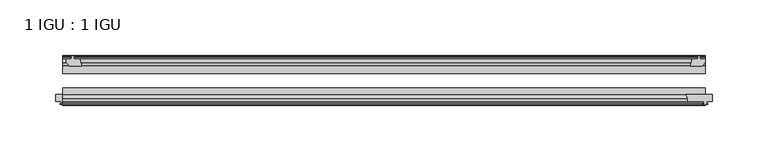
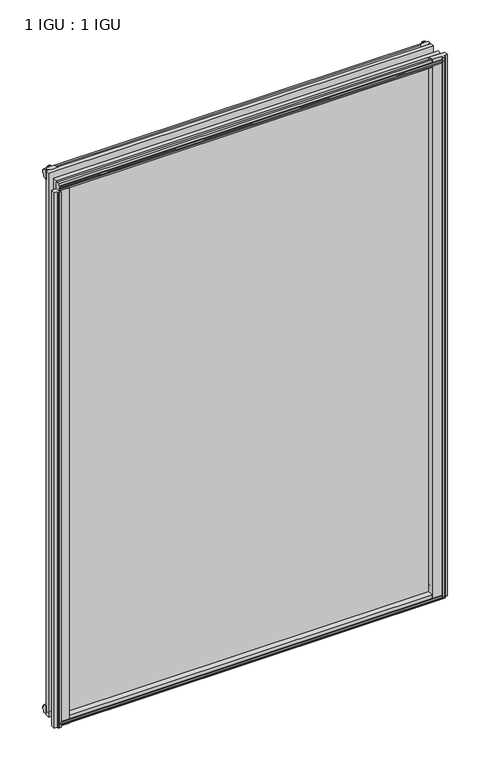
"""IFC4 building model written with IfcOpenShell, lengths in millimetres: plate geometry, 1 IGU : 1 IGU."""

from ifc_helpers import new_model, si_unit, point, frame, frame_2d, origin, place, context, project, spatial, polyline, circle_curve, trimmed, segment, composite_curve, outline, extrude, source, transform, mapped, element, save


def plate_1_igu_1_igu_d944d052(model_context):
    return source(origin(), model_context, "Body", "SweptSolid", [
        extrude(outline(polyline([(281.1166084, -10.4746158), (283.2941375, -9.7670938), (285.4716666, -10.4746158), (285.4716666, -11.27583), (284.0561375, -10.8158968), (284.4371375, -13.1960938), (288.8821375, -13.1960938), (288.8821375, -16.1424938), (286.0477953, -19.5460938), (275.2264194, -19.5460938), (276.9441375, -13.1960938), (282.1511375, -13.1960938), (282.5321375, -10.8158968), (281.1166084, -11.27583), (281.1166084, -10.4746158)])), frame((0.0, 0.0, -12.4587), z_axis=(0.0, 0.0, 1.0), x_axis=(1.0, 0.0, 0.0)), (0.0, 0.0, 1.0), 863.1174),
        extrude(outline(polyline([(-279.9207, -9.7670937), (-277.7431709, -10.4746158), (-277.7431709, -11.27583), (-279.1587, -10.8158968), (-278.7777, -13.1960937), (-273.5707, -13.1960937), (-271.8529819, -19.5460937), (-282.6743578, -19.5460937), (-285.5087, -16.1424937), (-285.5087, -13.1960937), (-281.0637, -13.1960937), (-280.6827, -10.8158968), (-282.0982291, -11.27583), (-282.0982291, -10.4746158), (-279.9207, -9.7670937)])), frame((0.0, 0.0, -12.4587), z_axis=(0.0, 0.0, 1.0), x_axis=(1.0, 0.0, 0.0)), (0.0, 0.0, 1.0), 863.1174),
        extrude(outline(composite_curve([segment(polyline([(-295.275, -44.9460937), (-271.1867558, -44.9460937)]), True, "CONTINUOUS"), segment(trimmed(circle_curve(frame_2d((-264.2743721, -50.4227155)), 8.8189814), [point((-271.1867558, -44.9460937))], [point((-273.05, -51.2960937))], True, "CARTESIAN"), True, "CONTINUOUS"), segment(polyline([(-273.05, -51.2960937), (-287.655, -51.2960937), (-287.9725, -53.4006957), (-286.7538941, -53.0741712), (-286.5501, -53.8347412), (-288.925, -54.4710937), (-291.2999, -53.8347412), (-291.0961059, -53.0741712), (-289.8775, -53.4006957), (-290.195, -51.2960937), (-295.275, -51.2960937), (-295.275, -44.9460937)]), True, "CONTINUOUS")], self_intersect=False)), frame((0.0, 0.0, -12.4587), z_axis=(0.0, 0.0, 1.0), x_axis=(1.0, 0.0, 0.0)), (0.0, 0.0, 1.0), 850.4174),
        extrude(outline(composite_curve([segment(polyline([(271.1867558, -44.9460938), (295.275, -44.9460938), (295.275, -51.2960938), (290.195, -51.2960938), (289.8775, -53.4006957), (291.0961059, -53.0741712), (291.2999, -53.8347412), (288.925, -54.4710938), (286.5501, -53.8347412), (286.7538941, -53.0741712), (287.9725, -53.4006957), (287.655, -51.2960938), (273.05, -51.2960938)]), True, "CONTINUOUS"), segment(trimmed(circle_curve(frame_2d((264.2743721, -50.4227155)), 8.8189814), [point((273.05, -51.2960938))], [point((271.1867558, -44.9460938))], True, "CARTESIAN"), True, "CONTINUOUS")], self_intersect=False)), frame((0.0, 0.0, -9.0482291), z_axis=(0.0, 0.0, 1.0), x_axis=(1.0, 0.0, 0.0)), (0.0, 0.0, 1.0), 859.7069291),
        extrude(outline(polyline([(-10.4746158, -4.6931709), (-9.7670937, -6.8707), (-10.4746158, -9.0482291), (-11.27583, -9.0482291), (-10.8158968, -7.6327), (-13.1960937, -8.0137), (-13.1960937, -12.4587), (-16.1424937, -12.4587), (-19.5460937, -9.6243578), (-19.5460937, 1.1970181), (-13.1960937, -0.5207), (-13.1960937, -5.7277), (-10.8158968, -6.1087), (-11.27583, -4.6931709), (-10.4746158, -4.6931709)])), frame((-288.925, 0.0, 0.0), z_axis=(1.0, 0.0, 0.0), x_axis=(0.0, 1.0, 0.0)), (0.0, 0.0, 1.0), 577.85),
        extrude(outline(polyline([(-44.9460937, 1.7177181), (-44.9460937, -9.1036578), (-48.3496937, -11.938), (-51.2960937, -11.938), (-51.2960937, -7.493), (-53.6762907, -7.112), (-53.2163575, -8.5275291), (-54.0175717, -8.5275291), (-54.7250937, -6.35), (-54.0175717, -4.1724709), (-53.2163575, -4.1724709), (-53.6762907, -5.588), (-51.2960937, -5.207), (-51.2960937, 0.0), (-44.9460937, 1.7177181)])), frame((-288.925, 0.0, 0.0), z_axis=(1.0, 0.0, 0.0), x_axis=(0.0, 1.0, 0.0)), (0.0, 0.0, 1.0), 577.85),
        extrude(outline(polyline([(-10.8158968, 845.8327), (-11.27583, 847.2482291), (-10.4746158, 847.2482291), (-9.7670937, 845.0707), (-10.4746158, 842.8931709), (-11.27583, 842.8931709), (-10.8158968, 844.3087), (-13.1960937, 843.9277), (-13.1960937, 838.7207), (-19.5460938, 837.0029819), (-19.5460938, 847.8243578), (-16.1424937, 850.6587), (-13.1960937, 850.6587), (-13.1960937, 846.2137), (-10.8158968, 845.8327)])), frame((-288.925, 0.0, 0.0), z_axis=(1.0, 0.0, 0.0), x_axis=(0.0, 1.0, 0.0)), (0.0, 0.0, 1.0), 577.85),
        extrude(outline(polyline([(-51.2960937, 850.138), (-48.3496937, 850.138), (-44.9460938, 847.3036578), (-44.9460938, 836.4822819), (-51.2960937, 838.2), (-51.2960937, 843.407), (-53.6762907, 843.788), (-53.2163575, 842.3724709), (-54.0175717, 842.3724709), (-54.7250937, 844.55), (-54.0175717, 846.7275291), (-53.2163575, 846.7275291), (-53.6762907, 845.312), (-51.2960937, 845.693), (-51.2960937, 850.138)])), frame((-288.925, 0.0, 0.0), z_axis=(1.0, 0.0, 0.0), x_axis=(0.0, 1.0, 0.0)), (0.0, 0.0, 1.0), 577.85),
        extrude(outline(polyline([(-288.925, -38.9186738), (288.925, -38.9186738), (288.925, -44.9460937), (-288.925, -44.9460937), (-288.925, -38.9186738)])), frame((0.0, 0.0, -12.7), z_axis=(0.0, 0.0, 1.0), x_axis=(1.0, 0.0, 0.0)), (0.0, 0.0, 1.0), 863.6),
        extrude(outline(polyline([(-288.925, -19.5460937), (288.925, -19.5460937), (288.925, -25.8960938), (-288.925, -25.8960938), (-288.925, -19.5460937)])), frame((0.0, 0.0, -12.7), z_axis=(0.0, 0.0, 1.0), x_axis=(1.0, 0.0, 0.0)), (0.0, 0.0, 1.0), 863.6),
    ])


if __name__ == "__main__":
    model = new_model("IFC4")
    model_context = context("Model", 3, world=origin())
    ifc_project = project(units=[si_unit("LENGTHUNIT", "METRE", prefix="MILLI")], contexts=[model_context])
    site = spatial("IfcSite", under=ifc_project)
    building = spatial("IfcBuilding", under=site)
    placement = place(None, origin())
    plate_1_igu_1_igu_shape = plate_1_igu_1_igu_d944d052(model_context)
    element("IfcPlate", 1, ObjectType="1 IGU : 1 IGU", at=placement, inside=building, context=model_context, shape_type="MappedRepresentation", body=[
        mapped(plate_1_igu_1_igu_shape, transform((0.0, 0.0, 0.0), x_axis=(1.0, 0.0, 0.0), y_axis=(0.0, 1.0, 0.0), z_axis=(0.0, 0.0, 1.0))),
    ])
    save(model, "model.ifc")
